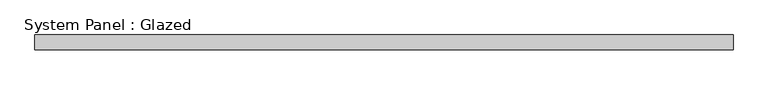
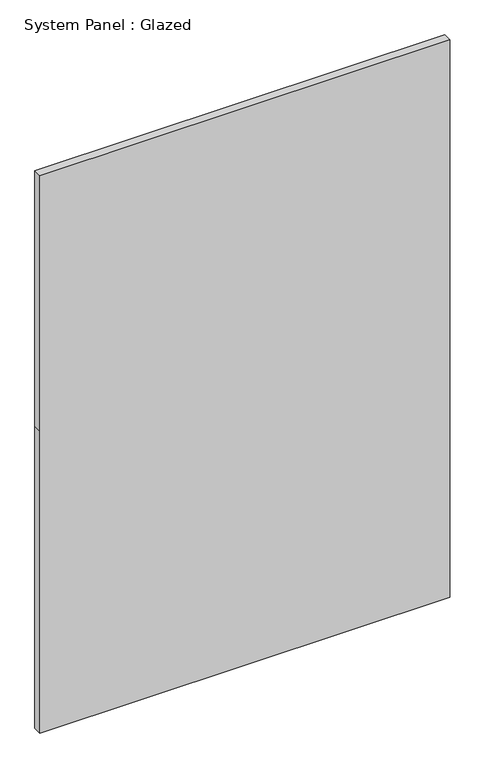
"""IFC4 building model written with IfcOpenShell, lengths in millimetres: plate geometry, System Panel : Glazed."""

from ifc_helpers import new_model, si_unit, frame, origin, place, context, project, spatial, polyline, outline, extrude, source, transform, mapped, element, save


def system_panel_glazed_ab4448f9(model_context):
    return source(origin(), model_context, "Body", "SweptSolid", [
        extrude(outline(polyline([(0.0, -587.5), (0.0, 587.5), (915.0, 587.5), (1690.0, 587.5), (1690.0, -587.5), (915.0, -587.5), (0.0, -587.5)])), frame((0.0, 24.5, 0.0), z_axis=(0.0, 1.0, 0.0), x_axis=(0.0, 0.0, 1.0)), (0.0, 0.0, 1.0), 25.0),
    ])


if __name__ == "__main__":
    model = new_model("IFC4")
    model_context = context("Model", 3, world=origin())
    ifc_project = project(units=[si_unit("LENGTHUNIT", "METRE", prefix="MILLI")], contexts=[model_context])
    site = spatial("IfcSite", under=ifc_project)
    building = spatial("IfcBuilding", under=site)
    placement = place(None, origin())
    system_panel_glazed_shape = system_panel_glazed_ab4448f9(model_context)
    element("IfcPlate", 1, ObjectType="System Panel : Glazed", at=placement, inside=building, context=model_context, shape_type="MappedRepresentation", body=[
        mapped(system_panel_glazed_shape, transform((0.0, 0.0, 0.0), x_axis=(1.0, 0.0, 0.0), y_axis=(0.0, 1.0, 0.0), z_axis=(0.0, 0.0, 1.0))),
    ])
    save(model, "model.ifc")
